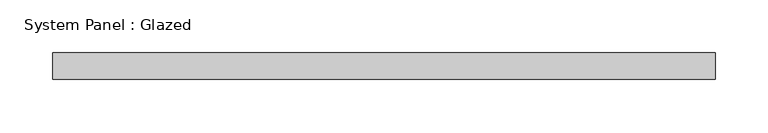
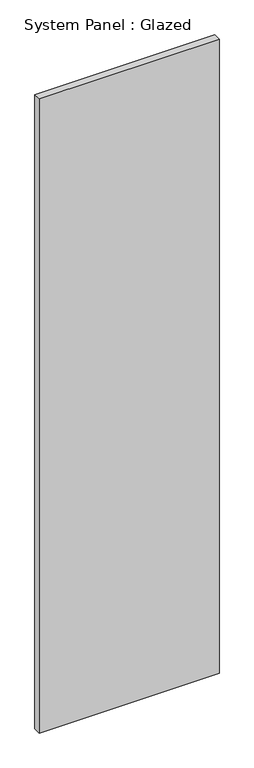
"""IFC4 building model written with IfcOpenShell, lengths in millimetres: plate geometry, System Panel : Glazed."""

from ifc_helpers import new_model, si_unit, origin, origin_with_axes, place, context, project, spatial, polyline, outline, extrude, source, transform, mapped, element, save


def system_panel_glazed_aa929791(model_context):
    return source(origin(), model_context, "Body", "SweptSolid", [
        extrude(outline(polyline([(314.325, 19.05), (-314.325, 19.05), (-314.325, 44.45), (314.325, 44.45), (314.325, 19.05)])), origin_with_axes(), (0.0, 0.0, 1.0), 2343.15),
    ])


if __name__ == "__main__":
    model = new_model("IFC4")
    model_context = context("Model", 3, world=origin())
    ifc_project = project(units=[si_unit("LENGTHUNIT", "METRE", prefix="MILLI")], contexts=[model_context])
    site = spatial("IfcSite", under=ifc_project)
    building = spatial("IfcBuilding", under=site)
    placement = place(None, origin())
    system_panel_glazed_shape = system_panel_glazed_aa929791(model_context)
    element("IfcPlate", 1, ObjectType="System Panel : Glazed", at=placement, inside=building, context=model_context, shape_type="MappedRepresentation", body=[
        mapped(system_panel_glazed_shape, transform((0.0, 0.0, 0.0), x_axis=(1.0, 0.0, 0.0), y_axis=(0.0, 1.0, 0.0), z_axis=(0.0, 0.0, 1.0))),
    ])
    save(model, "model.ifc")
